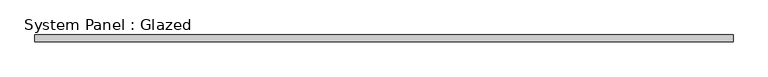
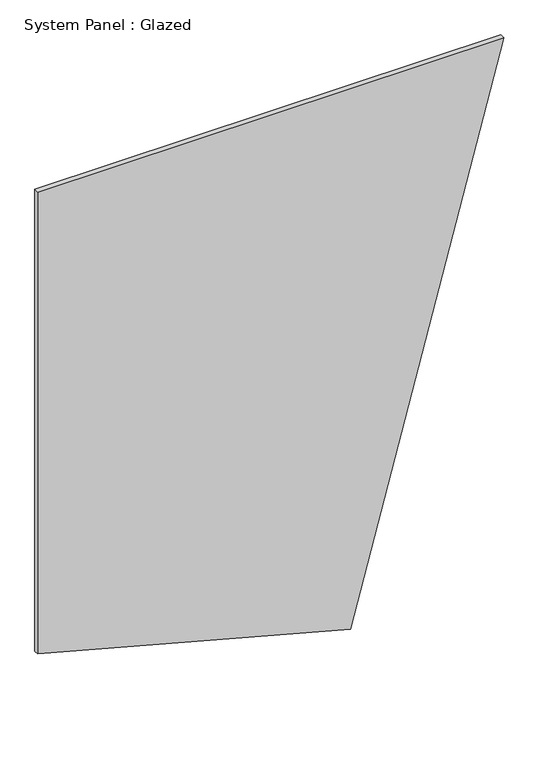
"""IFC4 building model written with IfcOpenShell, lengths in millimetres: plate geometry, System Panel : Glazed."""

from ifc_helpers import new_model, si_unit, frame, origin, place, context, project, spatial, polyline, outline, extrude, source, transform, mapped, element, save


def system_panel_glazed_880f5de2(model_context):
    return source(origin(), model_context, "Body", "SweptSolid", [
        extrude(outline(polyline([(458.9827986, -1275.4596903), (0.0, 437.487434), (3127.3550357, 1275.4596903), (3127.3550357, -1275.4596903), (458.9827986, -1275.4596903)])), frame((0.0, -22.5, 0.0), z_axis=(0.0, 1.0, 0.0), x_axis=(0.0, 0.0, 1.0)), (0.0, 0.0, 1.0), 25.0),
    ])


if __name__ == "__main__":
    model = new_model("IFC4")
    model_context = context("Model", 3, world=origin())
    ifc_project = project(units=[si_unit("LENGTHUNIT", "METRE", prefix="MILLI")], contexts=[model_context])
    site = spatial("IfcSite", under=ifc_project)
    building = spatial("IfcBuilding", under=site)
    placement = place(None, origin())
    system_panel_glazed_shape = system_panel_glazed_880f5de2(model_context)
    element("IfcPlate", 1, ObjectType="System Panel : Glazed", at=placement, inside=building, context=model_context, shape_type="MappedRepresentation", body=[
        mapped(system_panel_glazed_shape, transform((0.0, 0.0, 0.0), x_axis=(1.0, 0.0, 0.0), y_axis=(0.0, 1.0, 0.0), z_axis=(0.0, 0.0, 1.0))),
    ])
    save(model, "model.ifc")
